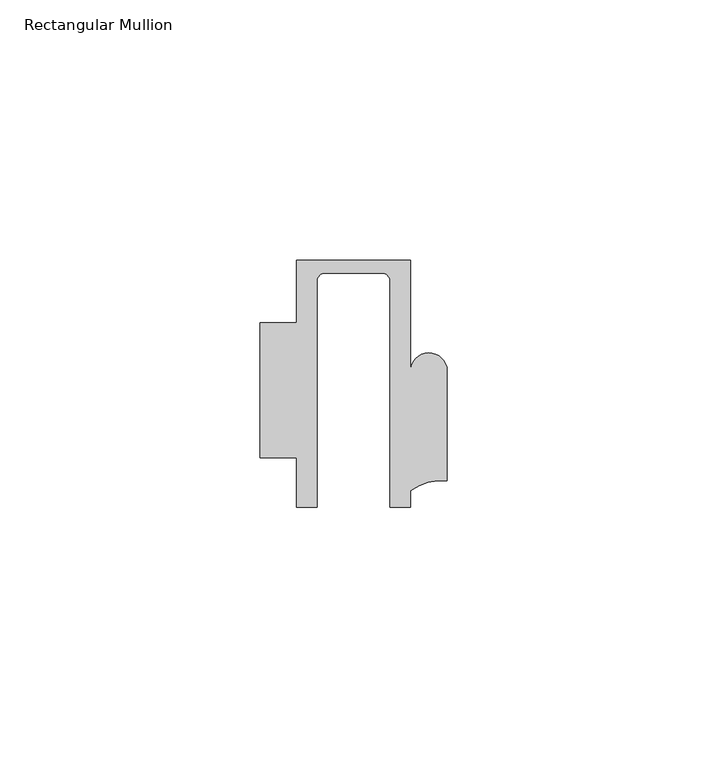
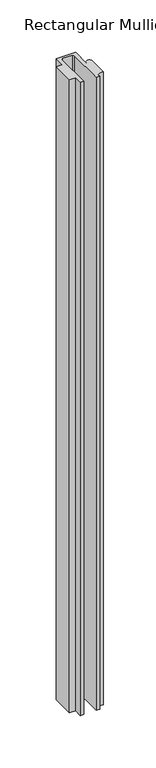
"""IFC4 building model written with IfcOpenShell, lengths in millimetres: member geometry, Rectangular Mullion."""

from ifc_helpers import new_model, si_unit, frame, origin, place, context, project, spatial, polyline, circle_curve, source, transform, mapped, element, save
from ifc_brep_helpers import plane_surface, cylinder_surface, revolved_surface, advanced_brep


def rectangular_mullion_86805a37(model_context):
    return source(origin(), model_context, "Body", "AdvancedBrep", [
        advanced_brep(
        [(-11.0000151, 27.0, 0.0), (-11.0000151, 15.0006281, 0.0), (-17.9999542, 15.0006281, 0.0), (-17.9999542, -10.9797475, 0.0), (-10.9999994, -10.9797475, 0.0), (-10.9999994, -20.5, 0.0), (-6.9999853, -20.5, 0.0), (-6.9999853, 22.9976091, 0.0), (-5.4999873, 24.5, 0.0), (5.4999872, 24.5, 0.0), (6.9999849, 22.9973451, 0.0), (6.9999849, -20.5, 0.0), (11.0000151, -20.5, 0.0), (11.0000151, -17.3125212, 0.0), (17.9999542, -15.3797475, 0.0), (17.9999542, 5.684606, 0.0), (11.001071, 5.5848769, 0.0), (11.001071, 27.0, 0.0), (-11.0000151, 27.0, -768.0068829), (11.001071, 27.0, -768.0068829), (11.001071, 5.5848769, -768.0068829), (17.9999091, 5.6750512, -768.0068829), (17.9999542, -15.3797475, -768.0068829), (11.0000151, -17.3125212, -768.0068829), (11.0000151, -20.5, -768.0068829), (6.9999849, -20.5, -768.0068829), (6.9999849, 22.9973451, -768.0068829), (5.4999872, 24.5, -768.0068829), (-5.4999873, 24.5, -768.0068829), (-6.9999853, 22.9976091, -768.0068829), (-6.9999853, -20.5, -768.0068829), (-10.9999994, -20.5, -768.0068829), (-10.9999994, -10.9797475, -768.0068829), (-17.9999542, -10.9797475, -768.0068829), (-17.9999542, 15.0006281, -768.0068829), (-11.0000151, 15.0006281, -768.0068829)],
        [
            (0, 1),
            (1, 2),
            (2, 3),
            (3, 4),
            (4, 5),
            (5, 6),
            (6, 7),
            (7, 8, circle_curve(frame((-5.4999873, 23.0, 0.0), z_axis=(0.0, 0.0, -1.0), x_axis=(2.7320010112268853e-08, 0.9999999999999997, 0.0)), 1.5)),
            (8, 9),
            (9, 10, circle_curve(frame((5.4999872, 23.0, 0.0), z_axis=(0.0, 0.0, -1.0), x_axis=(0.9999999999999986, -5.463622857820516e-08, 0.0)), 1.5)),
            (10, 11),
            (11, 12),
            (12, 13),
            (13, 14, circle_curve(frame((17.109817, -25.7981812, 0.0), z_axis=(0.0, 0.0, -1.0), x_axis=(0.0, 1.0, 0.0)), 10.4563907)),
            (14, 15),
            (15, 16, circle_curve(frame((14.4999091, 5.6750512, 0.0), z_axis=(0.0, 0.0, 1.0), x_axis=(-0.9999826028573957, -0.005898642432633649, 0.0)), 3.5)),
            (16, 17),
            (17, 0),
            (18, 19),
            (19, 20),
            (20, 21, circle_curve(frame((14.4999091, 5.6750512, -768.0068829), z_axis=(0.0, 0.0, -1.0), x_axis=(-0.9999826028573957, -0.005898642432633649, 0.0)), 3.5)),
            (21, 22),
            (22, 23, circle_curve(frame((17.109817, -25.7981812, -768.0068829), z_axis=(0.0, 0.0, 1.0), x_axis=(0.0, 1.0, 0.0)), 10.4563907)),
            (23, 24),
            (24, 25),
            (25, 26),
            (26, 27, circle_curve(frame((5.4999872, 23.0, -768.0068829), z_axis=(0.0, 0.0, 1.0), x_axis=(0.9999999999999986, -5.463622857820516e-08, 0.0)), 1.5)),
            (27, 28),
            (28, 29, circle_curve(frame((-5.4999873, 23.0, -768.0068829), z_axis=(0.0, 0.0, 1.0), x_axis=(2.7320010112268853e-08, 0.9999999999999997, 0.0)), 1.5)),
            (29, 30),
            (30, 31),
            (31, 32),
            (32, 33),
            (33, 34),
            (34, 35),
            (35, 18),
            (0, 18),
            (35, 1),
            (34, 2),
            (33, 3),
            (32, 4),
            (31, 5),
            (30, 6),
            (29, 7),
            (28, 8),
            (27, 9),
            (26, 10),
            (25, 11),
            (24, 12),
            (23, 13),
            (22, 14),
            (21, 15),
            (20, 16),
            (19, 17),
        ],
        [
            plane_surface(frame((0.0, -29.1551636, 0.0), z_axis=(0.0, 0.0, 1.0), x_axis=(-1.0, 0.0, 0.0))),
            plane_surface(frame((0.0, -29.1551636, -768.0068829), z_axis=(0.0, 0.0, -1.0), x_axis=(-1.0, 0.0, 0.0))),
            plane_surface(frame((-11.0000151, 27.0, 0.0), z_axis=(-1.0, 0.0, 0.0), x_axis=(0.0, 0.0, -1.0))),
            plane_surface(frame((-11.0000151, 15.0006281, 0.0), z_axis=(0.0, 1.0, 0.0), x_axis=(0.0, 0.0, -1.0))),
            plane_surface(frame((-17.9999542, 15.0006281, 0.0), z_axis=(-1.0, 0.0, 0.0), x_axis=(0.0, 0.0, -1.0))),
            plane_surface(frame((-17.9999542, -10.9797475, 0.0), z_axis=(0.0, -1.0, 0.0), x_axis=(0.0, 0.0, -1.0))),
            plane_surface(frame((-10.9999994, -10.9797475, 0.0), z_axis=(-1.0, 0.0, 0.0), x_axis=(0.0, 0.0, -1.0))),
            plane_surface(frame((-10.9999994, -20.5, 0.0), z_axis=(0.0, -1.0, 0.0), x_axis=(0.0, 0.0, -1.0))),
            plane_surface(frame((-6.9999853, -20.5, 0.0), z_axis=(1.0, 0.0, 0.0), x_axis=(0.0, 0.0, -1.0))),
            revolved_surface(polyline([(-5.499987259019985, 24.5, -768.0068829), (-5.499987259019985, 24.5, 0.0)]), (-5.4999873, 23.0, 0.0), (0.0, 0.0, -1.0)),
            plane_surface(frame((-5.4999873, 24.5, 0.0), z_axis=(0.0, -1.0, 0.0), x_axis=(0.0, 0.0, -1.0))),
            revolved_surface(polyline([(6.999987199999998, 22.999999918045656, -768.0068829), (6.999987199999998, 22.999999918045656, 0.0)]), (5.4999872, 23.0, 0.0), (0.0, 0.0, -1.0)),
            plane_surface(frame((6.9999849, 22.9973451, 0.0), z_axis=(-1.0, 0.0, 0.0), x_axis=(0.0, 0.0, -1.0))),
            plane_surface(frame((6.9999849, -20.5, 0.0), z_axis=(0.0, -1.0, 0.0), x_axis=(0.0, 0.0, -1.0))),
            plane_surface(frame((11.0000151, -20.5, 0.0), z_axis=(1.0, 0.0, 0.0), x_axis=(0.0, 0.0, -1.0))),
            revolved_surface(polyline([(17.109817, -15.341790499999998, -768.0068829), (17.109817, -15.341790499999998, 0.0)]), (17.109817, -25.7981812, 0.0), (0.0, 0.0, -1.0)),
            plane_surface(frame((17.9999542, -15.3797475, 0.0), z_axis=(1.0, 0.0, 0.0), x_axis=(0.0, 0.0, -1.0))),
            cylinder_surface(frame((14.4999091, 5.6750512, 0.0), z_axis=(0.0, 0.0, 1.0), x_axis=(-0.9999826028573957, -0.005898642432633649, 0.0)), 3.5),
            plane_surface(frame((11.001071, 5.5848769, 0.0), z_axis=(1.0, 0.0, 0.0), x_axis=(0.0, 0.0, -1.0))),
            plane_surface(frame((11.001071, 27.0, 0.0), z_axis=(0.0, 1.0, 0.0), x_axis=(0.0, 0.0, -1.0))),
        ],
        [
            (0, [[1, 2, 3, 4, 5, 6, 7, 8, 9, 10, 11, 12, 13, 14, 15, 16, 17, 18]]),
            (1, [[19, 20, 21, 22, 23, 24, 25, 26, 27, 28, 29, 30, 31, 32, 33, 34, 35, 36]]),
            (2, [[-1, 37, -36, 38]]),
            (3, [[-2, -38, -35, 39]]),
            (4, [[-3, -39, -34, 40]]),
            (5, [[-4, -40, -33, 41]]),
            (6, [[-5, -41, -32, 42]]),
            (7, [[-6, -42, -31, 43]]),
            (8, [[-7, -43, -30, 44]]),
            (9, [[-8, -44, -29, 45]]),
            (10, [[-9, -45, -28, 46]]),
            (11, [[-10, -46, -27, 47]]),
            (12, [[-11, -47, -26, 48]]),
            (13, [[-12, -48, -25, 49]]),
            (14, [[-13, -49, -24, 50]]),
            (15, [[-14, -50, -23, 51]]),
            (16, [[-15, -51, -22, 52]]),
            (17, [[-16, -52, -21, 53]]),
            (18, [[-17, -53, -20, 54]]),
            (19, [[-18, -54, -19, -37]]),
        ],
    ),
    ])


if __name__ == "__main__":
    model = new_model("IFC4")
    model_context = context("Model", 3, world=origin())
    ifc_project = project(units=[si_unit("LENGTHUNIT", "METRE", prefix="MILLI")], contexts=[model_context])
    site = spatial("IfcSite", under=ifc_project)
    building = spatial("IfcBuilding", under=site)
    placement = place(None, origin())
    rectangular_mullion_shape = rectangular_mullion_86805a37(model_context)
    element("IfcMember", 1, ObjectType="Rectangular Mullion", at=placement, inside=building, context=model_context, shape_type="MappedRepresentation", body=[
        mapped(rectangular_mullion_shape, transform((0.0, 0.0, 0.0), x_axis=(1.0, 0.0, 0.0), y_axis=(0.0, 1.0, 0.0), z_axis=(0.0, 0.0, 1.0))),
    ])
    save(model, "model.ifc")
